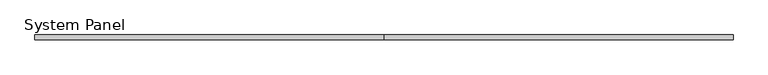
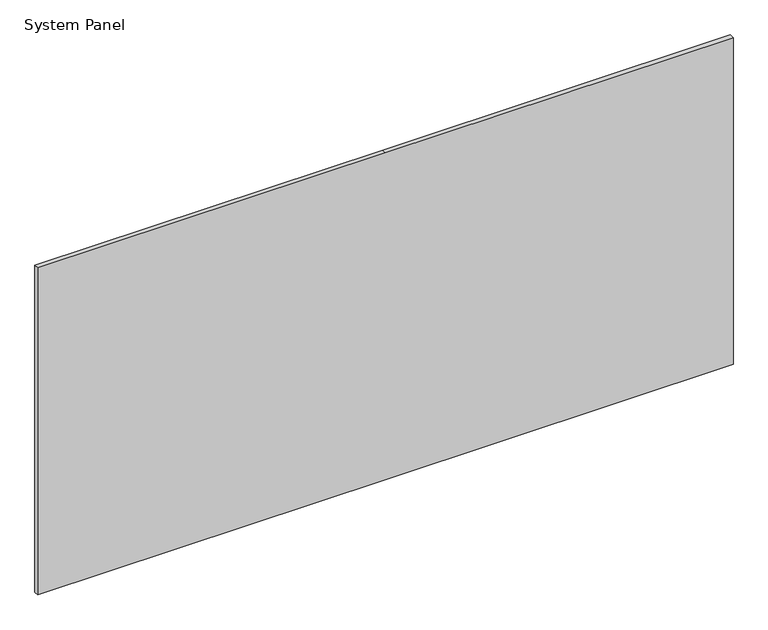
"""IFC4 building model written with IfcOpenShell, lengths in millimetres: plate geometry, System Panel."""

from ifc_helpers import new_model, si_unit, frame, origin, place, context, project, spatial, polyline, outline, extrude, source, transform, mapped, element, save


def system_panel_ebba6779(model_context):
    return source(origin(), model_context, "Body", "SweptSolid", [
        extrude(outline(polyline([(0.0, -1195.0), (0.0, 0.0), (0.0, 1195.0), (1187.5, 1195.0), (1187.5, 0.0), (1187.5, -1195.0), (0.0, -1195.0)])), frame((0.0, -8.0, 0.0), z_axis=(0.0, 1.0, 0.0), x_axis=(0.0, 0.0, 1.0)), (0.0, 0.0, 1.0), 16.0),
    ])


if __name__ == "__main__":
    model = new_model("IFC4")
    model_context = context("Model", 3, world=origin())
    ifc_project = project(units=[si_unit("LENGTHUNIT", "METRE", prefix="MILLI")], contexts=[model_context])
    site = spatial("IfcSite", under=ifc_project)
    building = spatial("IfcBuilding", under=site)
    placement = place(None, origin())
    system_panel_shape = system_panel_ebba6779(model_context)
    element("IfcPlate", 1, ObjectType="System Panel", at=placement, inside=building, context=model_context, shape_type="MappedRepresentation", body=[
        mapped(system_panel_shape, transform((0.0, 0.0, 0.0), x_axis=(1.0, 0.0, 0.0), y_axis=(0.0, 1.0, 0.0), z_axis=(0.0, 0.0, 1.0))),
    ])
    save(model, "model.ifc")
